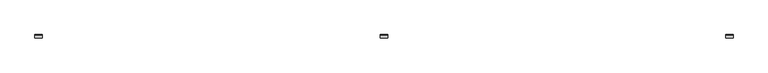
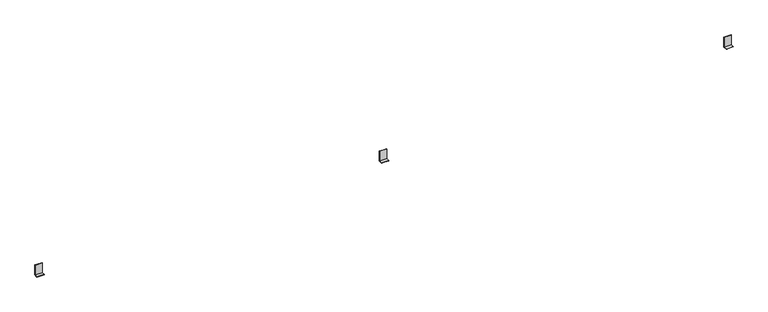
"""IFC4 building model written with IfcOpenShell, lengths in millimetres: proxy geometry."""

from ifc_helpers import new_model, si_unit, frame, origin, place, context, project, spatial, polyline, outline, extrude, source, transform, mapped, element, save


def generic_models_78c8bde9(model_context):
    return source(origin(), model_context, "Body", "SweptSolid", [
        extrude(outline(polyline([(17.5, 120.0), (17.5, 0.0), (-22.5, 0.0), (-22.5, 3.0), (14.5, 3.0), (14.5, 120.0), (17.5, 120.0)])), frame((3960.0, 0.0, 0.0), z_axis=(1.0, 0.0, 0.0), x_axis=(0.0, 1.0, 0.0)), (0.0, 0.0, 1.0), 80.0),
        extrude(outline(polyline([(17.5, 120.0), (17.5, 0.0), (-22.5, 0.0), (-22.5, 3.0), (14.5, 3.0), (14.5, 120.0), (17.5, 120.0)])), frame((7855.0, 0.0, 0.0), z_axis=(1.0, 0.0, 0.0), x_axis=(0.0, 1.0, 0.0)), (0.0, 0.0, 1.0), 80.0),
        extrude(outline(polyline([(17.5, 120.0), (17.5, 0.0), (-22.5, 0.0), (-22.5, 3.0), (14.5, 3.0), (14.5, 120.0), (17.5, 120.0)])), frame((65.0, 0.0, 0.0), z_axis=(1.0, 0.0, 0.0), x_axis=(0.0, 1.0, 0.0)), (0.0, 0.0, 1.0), 80.0),
    ])


if __name__ == "__main__":
    model = new_model("IFC4")
    model_context = context("Model", 3, world=origin())
    ifc_project = project(units=[si_unit("LENGTHUNIT", "METRE", prefix="MILLI")], contexts=[model_context])
    site = spatial("IfcSite", under=ifc_project)
    building = spatial("IfcBuilding", under=site)
    placement = place(None, origin())
    generic_models_shape = generic_models_78c8bde9(model_context)
    element("IfcBuildingElementProxy", 1, Name="Generic Models", at=placement, inside=building, context=model_context, shape_type="MappedRepresentation", body=[
        mapped(generic_models_shape, transform((0.0, 0.0, 0.0), x_axis=(1.0, 0.0, 0.0), y_axis=(0.0, 1.0, 0.0), z_axis=(0.0, 0.0, 1.0))),
    ])
    save(model, "model.ifc")
